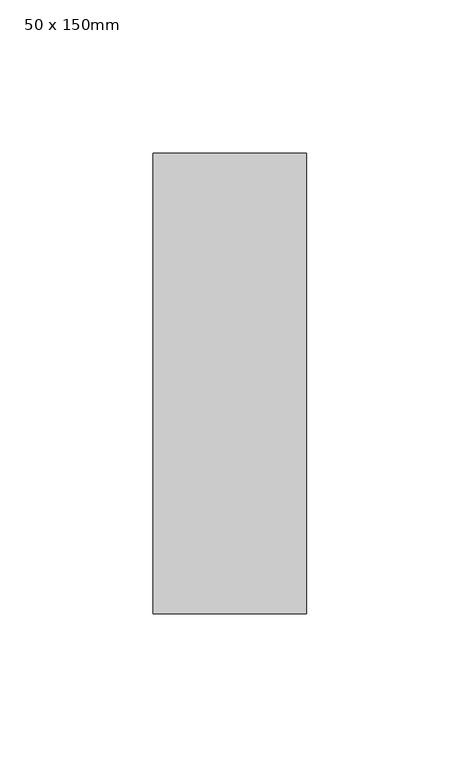
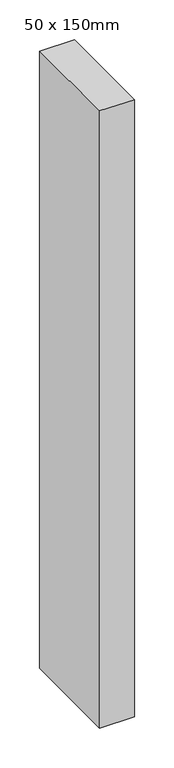
"""IFC4 building model written with IfcOpenShell, lengths in millimetres: member geometry, 50 x 150mm."""

import ifcopenshell
import ifcopenshell.guid

model = None  # the IFC model being written
_history = None  # IfcOwnerHistory: only IFC2X3 demands one
_inside = {}  # id of a spatial element -> (the spatial element, [elements in it])
_under = {}  # id of a project, library or spatial element -> (it, [spatial elements below it])
_declared = {}  # id of a project -> (the project, [libraries it declares])
_typed = {}  # id of a type object -> (the type object, [elements of that type])
_made_of = {}  # id of a material, layer set ... -> (it, [elements and type objects made of it])


def new_model(schema):
    """Start an empty IFC model of exactly this schema.

    Asked for "IFC4X3", IfcOpenShell would pick the latest addendum, in which some entities
    have other attributes; the version numbers below select the first issue.
    IFC2X3 requires an IfcOwnerHistory on every rooted entity: one is made here for all.
    """
    global model, _history
    if schema == "IFC4X3":
        model = ifcopenshell.file(schema_version=(4, 3, 0, 0))
    else:
        model = ifcopenshell.file(schema=schema)
    _inside.clear()
    _under.clear()
    _declared.clear()
    _typed.clear()
    _made_of.clear()
    _history = None
    if model.schema == "IFC2X3":
        org = make("IfcOrganization", Name="unknown")
        user = make(
            "IfcPersonAndOrganization",
            ThePerson=make("IfcPerson", FamilyName="unknown"),
            TheOrganization=org,
        )
        app = make(
            "IfcApplication",
            ApplicationDeveloper=org,
            Version="unknown",
            ApplicationFullName="unknown",
            ApplicationIdentifier="unknown",
        )
        _history = make(
            "IfcOwnerHistory",
            OwningUser=user,
            OwningApplication=app,
            ChangeAction="ADDED",
            CreationDate=0,
        )
    return model


def make(cls, **values):
    """One entity of the class cls with the attributes given. An attribute that is None is left unset."""
    return model.create_entity(
        cls, **{name: value for name, value in values.items() if value is not None}
    )


def rooted(cls, **values):
    """An entity with a GlobalId (a new one), such as an element, a storey or a relation."""
    return make(cls, GlobalId=ifcopenshell.guid.new(), OwnerHistory=_history, **values)


def si_unit(unit_type, name, prefix=None):
    """IfcSIUnit, for example si_unit("LENGTHUNIT", "METRE", prefix="MILLI")."""
    return make("IfcSIUnit", UnitType=unit_type, Prefix=prefix, Name=name)


def assignment(units):
    """IfcUnitAssignment: the units of a project."""
    return None if units is None else make("IfcUnitAssignment", Units=units)


def point(xyz):
    """IfcCartesianPoint."""
    return None if xyz is None else make("IfcCartesianPoint", Coordinates=xyz)


def direction(xyz):
    """IfcDirection."""
    return None if xyz is None else make("IfcDirection", DirectionRatios=xyz)


def frame(location, z_axis=None, x_axis=None):
    """IfcAxis2Placement3D, a coordinate frame: its origin and axes. An axis left out is left unset."""
    return make(
        "IfcAxis2Placement3D",
        Location=point(location),
        Axis=direction(z_axis),
        RefDirection=direction(x_axis),
    )


def origin():
    """The frame at (0, 0, 0) with its axes left unset."""
    return frame((0.0, 0.0, 0.0))


def place(relative_to, where):
    """IfcLocalPlacement: puts the frame where relative to a parent placement (None: the world)."""
    return make(
        "IfcLocalPlacement", PlacementRelTo=relative_to, RelativePlacement=where
    )


def context(
    kind, dimensions, precision=None, world=None, true_north=None, identifier=None
):
    """IfcGeometricRepresentationContext, for example the 3D "Model" context."""
    return make(
        "IfcGeometricRepresentationContext",
        ContextIdentifier=identifier,
        ContextType=kind,
        CoordinateSpaceDimension=dimensions,
        Precision=precision,
        WorldCoordinateSystem=world,
        TrueNorth=true_north,
    )


def project(units=None, contexts=None):
    """IfcProject with its units and contexts."""
    return rooted(
        "IfcProject",
        Name="project",
        RepresentationContexts=contexts,
        UnitsInContext=assignment(units),
    )


def spatial(cls, under=None, at=None, **own):
    """A site, building, storey or space (cls), placed at a placement, below another one or the project."""
    s = rooted(cls, ObjectPlacement=at, **own)
    if under is not None:
        _under.setdefault(under.id(), (under, []))[1].append(s)
    return s


def polyline(points):
    """IfcPolyline through the points."""
    return make("IfcPolyline", Points=[point(p) for p in points])


def outline(outer, holes=None, kind="AREA"):
    """IfcArbitraryClosedProfileDef: a profile drawn as a closed curve; with holes, ...WithVoids."""
    if holes is None:
        return make("IfcArbitraryClosedProfileDef", ProfileType=kind, OuterCurve=outer)
    return make(
        "IfcArbitraryProfileDefWithVoids",
        ProfileType=kind,
        OuterCurve=outer,
        InnerCurves=holes,
    )


def extrude(swept, where, along, depth):
    """IfcExtrudedAreaSolid: the profile swept, set in the frame where, extruded along a direction by depth."""
    return make(
        "IfcExtrudedAreaSolid",
        SweptArea=swept,
        Position=where,
        ExtrudedDirection=direction(along),
        Depth=depth,
    )


def shape(context_of_items, identifier, shape_type, items):
    """IfcShapeRepresentation: the items that make up one representation, for example the "Body"."""
    return make(
        "IfcShapeRepresentation",
        ContextOfItems=context_of_items,
        RepresentationIdentifier=identifier,
        RepresentationType=shape_type,
        Items=items,
    )


def source(mapping_origin, context_of_items, identifier, shape_type, items):
    """IfcRepresentationMap: a shape defined once, which mapped items show again and again."""
    return make(
        "IfcRepresentationMap",
        MappingOrigin=mapping_origin,
        MappedRepresentation=shape(context_of_items, identifier, shape_type, items),
    )


def transform(
    local_origin,
    x_axis=None,
    y_axis=None,
    z_axis=None,
    scale=None,
    scale2=None,
    scale3=None,
    uniform=True,
):
    """IfcCartesianTransformationOperator3D, or its non-uniform kind. x_axis, y_axis, z_axis: its Axis1, 2, 3."""
    if uniform:
        return make(
            "IfcCartesianTransformationOperator3D",
            Axis1=direction(x_axis),
            Axis2=direction(y_axis),
            LocalOrigin=point(local_origin),
            Scale=scale,
            Axis3=direction(z_axis),
        )
    return make(
        "IfcCartesianTransformationOperator3DnonUniform",
        Axis1=direction(x_axis),
        Axis2=direction(y_axis),
        LocalOrigin=point(local_origin),
        Scale=scale,
        Axis3=direction(z_axis),
        Scale2=scale2,
        Scale3=scale3,
    )


def mapped(mapping_source, mapping_target):
    """IfcMappedItem: shows the shape of a source again, moved by a transform."""
    return make(
        "IfcMappedItem", MappingSource=mapping_source, MappingTarget=mapping_target
    )


def made_of(thing, what):
    """Note that an element or type object is made of a material, layer set ...; save() writes the relation."""
    if what is not None:
        _made_of.setdefault(what.id(), (what, []))[1].append(thing)
    return thing


def element(
    cls,
    number,
    at=None,
    inside=None,
    cuts=None,
    type_object=None,
    material=None,
    context=None,
    identifier="Body",
    shape_type=None,
    held_by="IfcProductDefinitionShape",
    body=None,
    shapes=None,
    **own,
):
    """One element of the class cls, such as IfcWall. Its Tag is "e" and its number.

    at: its placement. inside: the storey or other place that contains it. cuts: it is an
    opening in that element (IfcRelVoidsElement). A single representation is given by context,
    identifier, shape_type and body (its items); several are given by shapes. held_by: the class
    of the entity that holds the representations. save() writes the other relations.
    """
    e = rooted(cls, Tag="e%d" % number, ObjectPlacement=at, **own)
    if body is not None:
        shapes = [shape(context, identifier, shape_type, body)]
    if shapes is not None:
        e.Representation = make(held_by, Representations=shapes)
    if inside is not None:
        _inside.setdefault(inside.id(), (inside, []))[1].append(e)
    if cuts is not None:
        rooted(
            "IfcRelVoidsElement", RelatingBuildingElement=cuts, RelatedOpeningElement=e
        )
    if type_object is not None:
        _typed.setdefault(type_object.id(), (type_object, []))[1].append(e)
    return made_of(e, material)


def aggregate(whole, parts):
    """IfcRelAggregates: a whole, such as a stair, and the parts it consists of."""
    return rooted("IfcRelAggregates", RelatingObject=whole, RelatedObjects=parts)


def save(model, path):
    """Write the relations noted so far, then the file.

    IfcRelAggregates (storeys below a building ...), IfcRelContainedInSpatialStructure (elements
    in a storey), IfcRelDefinesByType, IfcRelAssociatesMaterial and IfcRelDeclares: one each for
    every whole, place, type object, material and project.
    """
    for whole, parts in _under.values():
        aggregate(whole, parts)
    for where, things in _inside.values():
        rooted(
            "IfcRelContainedInSpatialStructure",
            RelatedElements=things,
            RelatingStructure=where,
        )
    for kind, things in _typed.values():
        rooted("IfcRelDefinesByType", RelatedObjects=things, RelatingType=kind)
    for what, things in _made_of.values():
        rooted("IfcRelAssociatesMaterial", RelatedObjects=things, RelatingMaterial=what)
    for by, libraries in _declared.values():
        rooted("IfcRelDeclares", RelatingContext=by, RelatedDefinitions=libraries)
    model.write(path)


def member_50_x_150mm_2c257d4a(model_context):
    return source(origin(), model_context, "Body", "SweptSolid", [
        extrude(outline(polyline([(25.0, 75.0), (25.0, -75.0), (-25.0, -75.0), (-25.0, 75.0), (25.0, 75.0)])), frame((0.0, 0.0, -942.4013399), z_axis=(0.0, 0.0, 1.0), x_axis=(1.0, 0.0, 0.0)), (0.0, 0.0, 1.0), 942.4013399),
    ])


if __name__ == "__main__":
    model = new_model("IFC4")
    model_context = context("Model", 3, world=origin())
    ifc_project = project(units=[si_unit("LENGTHUNIT", "METRE", prefix="MILLI")], contexts=[model_context])
    site = spatial("IfcSite", under=ifc_project)
    building = spatial("IfcBuilding", under=site)
    placement = place(None, origin())
    member_50_x_150mm_shape = member_50_x_150mm_2c257d4a(model_context)
    element("IfcMember", 1, ObjectType="50 x 150mm", at=placement, inside=building, context=model_context, shape_type="MappedRepresentation", body=[
        mapped(member_50_x_150mm_shape, transform((0.0, 0.0, 0.0), x_axis=(1.0, 0.0, 0.0), y_axis=(0.0, 1.0, 0.0), z_axis=(0.0, 0.0, 1.0))),
    ])
    save(model, "model.ifc")
